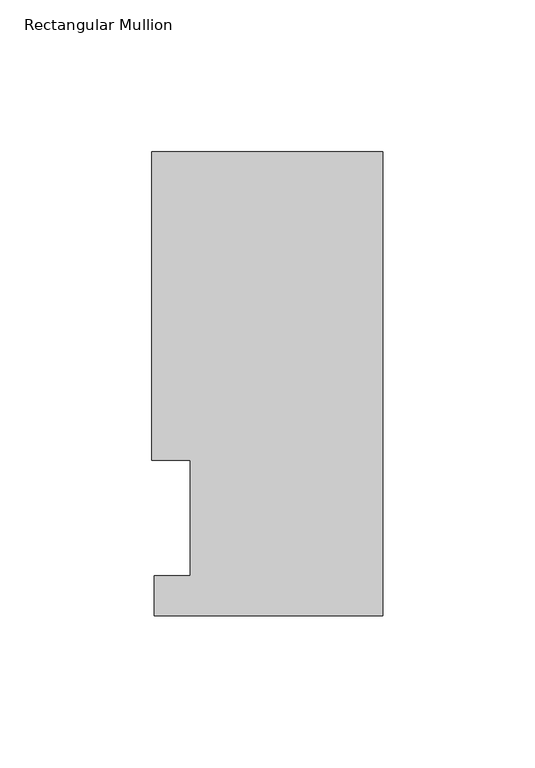
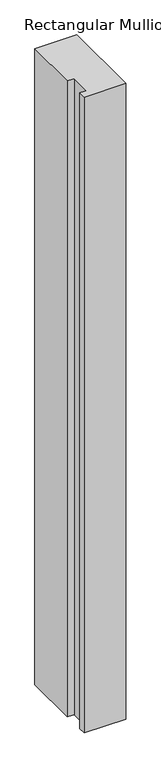
"""IFC4 building model written with IfcOpenShell, lengths in millimetres: member geometry, Rectangular Mullion."""

from ifc_helpers import new_model, si_unit, frame, origin, place, context, project, spatial, polyline, outline, extrude, source, transform, mapped, element, save


def rectangular_mullion_9ca3f22e(model_context):
    return source(origin(), model_context, "Body", "SweptSolid", [
        extrude(outline(polyline([(-76.2, 152.8960938), (0.0, 152.8960938), (0.0, 0.0084138), (-75.4126006, 0.0084138), (-75.4126006, 13.1960937), (-63.4999994, 13.1960937), (-63.4999994, 51.2960938), (-76.2, 51.2960938), (-76.2, 152.8960938)])), frame((0.0, 0.0, -1219.2), z_axis=(0.0, 0.0, 1.0), x_axis=(1.0, 0.0, 0.0)), (0.0, 0.0, 1.0), 1219.2),
    ])


if __name__ == "__main__":
    model = new_model("IFC4")
    model_context = context("Model", 3, world=origin())
    ifc_project = project(units=[si_unit("LENGTHUNIT", "METRE", prefix="MILLI")], contexts=[model_context])
    site = spatial("IfcSite", under=ifc_project)
    building = spatial("IfcBuilding", under=site)
    placement = place(None, origin())
    rectangular_mullion_shape = rectangular_mullion_9ca3f22e(model_context)
    element("IfcMember", 1, ObjectType="Rectangular Mullion", at=placement, inside=building, context=model_context, shape_type="MappedRepresentation", body=[
        mapped(rectangular_mullion_shape, transform((0.0, 0.0, 0.0), x_axis=(1.0, 0.0, 0.0), y_axis=(0.0, 1.0, 0.0), z_axis=(0.0, 0.0, 1.0))),
    ])
    save(model, "model.ifc")
